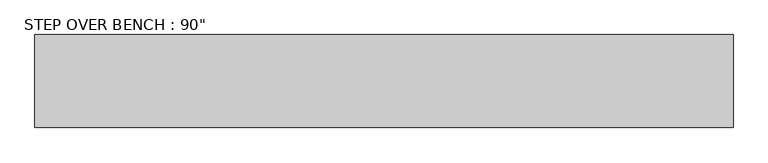
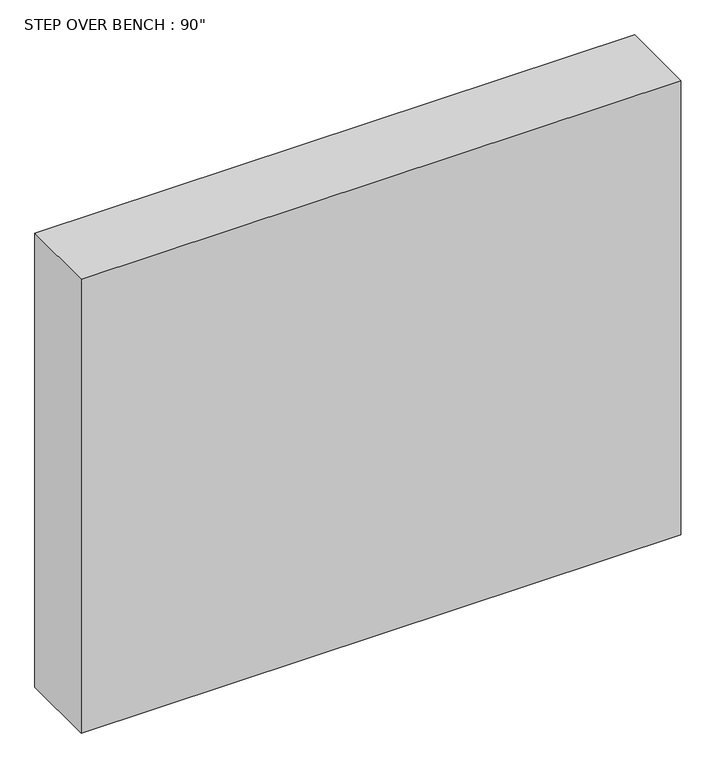
"""IFC4 building model written with IfcOpenShell, lengths in millimetres: proxy geometry."""

from ifc_helpers import new_model, si_unit, origin, origin_with_axes, place, context, project, spatial, polyline, outline, extrude, source, transform, mapped, element, save


def proxy_e6e5364f(model_context):
    return source(origin(), model_context, "Body", "SweptSolid", [
        extrude(outline(polyline([(1143.0, 152.4), (1143.0, -152.4), (-1143.0, -152.4), (-1143.0, 152.4), (1143.0, 152.4)])), origin_with_axes(), (0.0, 0.0, 1.0), 1828.8),
    ])


if __name__ == "__main__":
    model = new_model("IFC4")
    model_context = context("Model", 3, world=origin())
    ifc_project = project(units=[si_unit("LENGTHUNIT", "METRE", prefix="MILLI")], contexts=[model_context])
    site = spatial("IfcSite", under=ifc_project)
    building = spatial("IfcBuilding", under=site)
    placement = place(None, origin())
    proxy_shape = proxy_e6e5364f(model_context)
    element("IfcBuildingElementProxy", 1, Name="STEP OVER BENCH : 90\"", ObjectType="STEP OVER BENCH : 90\"", at=placement, inside=building, context=model_context, shape_type="MappedRepresentation", body=[
        mapped(proxy_shape, transform((0.0, 0.0, 0.0), x_axis=(1.0, 0.0, 0.0), y_axis=(0.0, 1.0, 0.0), z_axis=(0.0, 0.0, 1.0))),
    ])
    save(model, "model.ifc")
